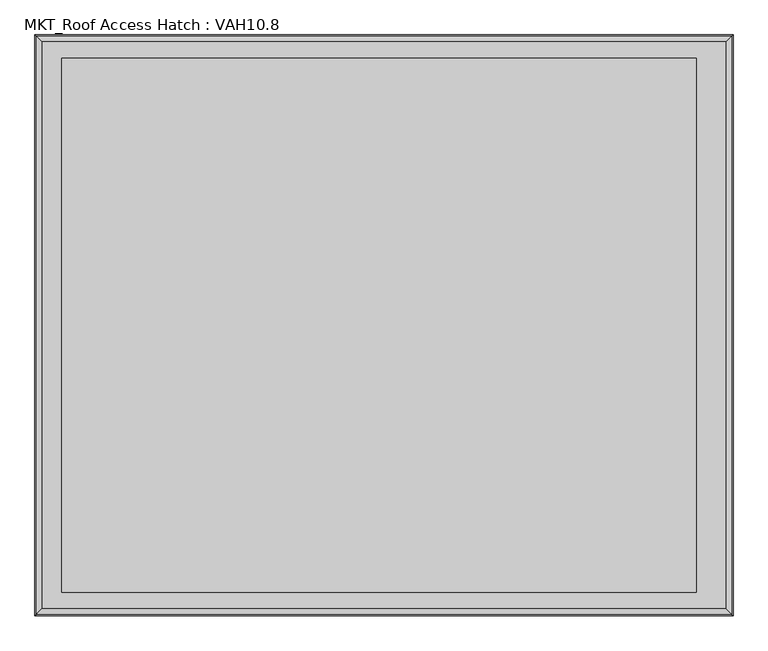
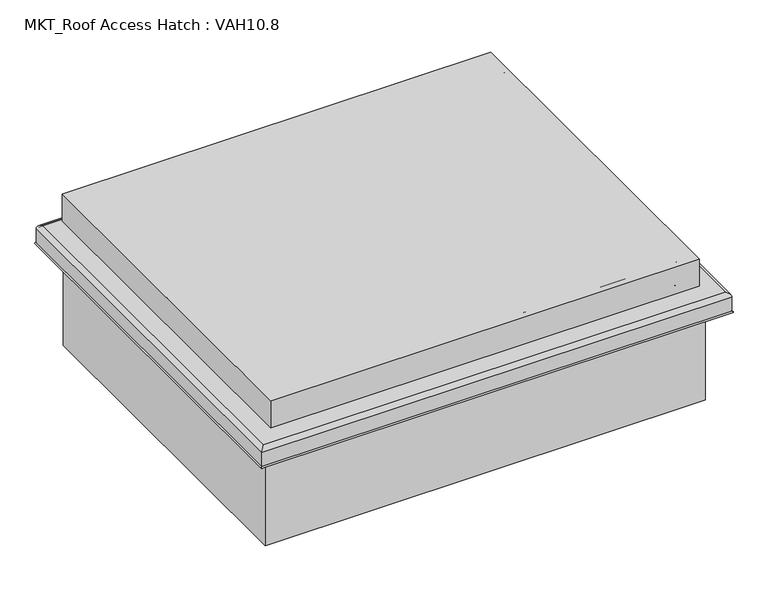
"""IFC4 building model written with IfcOpenShell, lengths in millimetres: proxy geometry, MKT_Roof Access Hatch : VAH10.8."""

from ifc_helpers import new_model, si_unit, point, frame, frame_2d, origin, origin_with_axes, place, context, project, spatial, polyline, circle_curve, ellipse_curve, trimmed, segment, composite_curve, outline, extrude, faceted_brep, source, transform, mapped, element, save
from ifc_brep_helpers import plane_surface, cylinder_surface, revolved_surface, advanced_brep


def mkt_roof_access_hatch_vah10_8_4faab3d9(model_context):
    return source(origin(), model_context, "Body", "SolidModel", [
        faceted_brep([(531.6, -455.0, 392.0), (531.6, 455.0, 392.0), (-548.4, 455.0, 392.0), (-548.4, -455.0, 392.0), (531.6, -455.0, 320.0), (-548.4, -455.0, 320.0), (-548.4, 455.0, 320.0), (531.6, 455.0, 320.0), (526.6, -450.0, 320.0), (526.6, 450.0, 320.0), (-543.4, 450.0, 320.0), (-543.4, -450.0, 320.0), (526.6, -450.0, 368.0), (-543.4, -450.0, 368.0), (-543.4, 450.0, 368.0), (526.6, 450.0, 368.0)], [[[0, 1, 2, 3]], [[4, 5, 6, 7], [8, 9, 10, 11]], [[1, 0, 4, 7]], [[2, 1, 7, 6]], [[3, 2, 6, 5]], [[0, 3, 5, 4]], [[12, 13, 14, 15]], [[12, 15, 9, 8]], [[15, 14, 10, 9]], [[14, 13, 11, 10]], [[13, 12, 8, 11]]]),
        extrude(outline(composite_curve([segment(polyline([(361.5, 513.4), (361.5, 504.5), (359.5, 504.5), (359.5, 513.4)]), True, "CONTINUOUS"), segment(trimmed(circle_curve(frame_2d((356.9, 513.4)), 2.6), [point((359.5, 513.4))], [point((356.9, 516.0))], True, "CARTESIAN"), True, "CONTINUOUS"), segment(polyline([(356.9, 516.0), (307.1, 516.0)]), True, "CONTINUOUS"), segment(trimmed(circle_curve(frame_2d((307.1, 513.4)), 2.6), [point((307.1, 516.0))], [point((304.5, 513.4))], True, "CARTESIAN"), True, "CONTINUOUS"), segment(polyline([(304.5, 513.4), (304.5, 504.5), (302.5, 504.5), (302.5, 513.4)]), True, "CONTINUOUS"), segment(trimmed(circle_curve(frame_2d((307.1, 513.4)), 4.6), [point((302.5, 513.4))], [point((307.1, 518.0))], False, "CARTESIAN"), True, "CONTINUOUS"), segment(polyline([(307.1, 518.0), (356.9, 518.0)]), True, "CONTINUOUS"), segment(trimmed(circle_curve(frame_2d((356.9, 513.4)), 4.6), [point((356.9, 518.0))], [point((361.5, 513.4))], False, "CARTESIAN"), True, "CONTINUOUS")], self_intersect=False)), frame((0.0, -410.0, 0.0), z_axis=(0.0, 1.0, 0.0), x_axis=(0.0, 0.0, 1.0)), (0.0, 0.0, 1.0), 820.0),
        extrude(outline(polyline([(555.0, 439.4933468), (555.0, -442.0066532), (-555.0, -442.0066532), (-555.0, 439.4933468), (555.0, 439.4933468)]), holes=[polyline([(510.0, 410.0), (-510.0, 410.0), (-510.0, -410.0), (510.0, -410.0), (510.0, 410.0)])]), origin_with_axes(), (0.0, 0.0, 1.0), 299.5),
        advanced_brep(
        [(505.0, 405.0, 365.0), (500.0, 400.0, 360.0), (500.0, -400.0, 360.0), (505.0, -405.0, 365.0), (514.6688612, 414.6688612, 362.5), (516.25, 416.25, 365.0), (516.25, -416.25, 365.0), (514.6688612, -414.6688612, 362.5), (502.5, 402.5, 360.0), (505.0, 405.0, 362.5), (505.0, -405.0, 362.5), (502.5, -402.5, 360.0), (502.5, 402.5, 305.5), (502.5, -402.5, 305.5), (505.5, 405.5, 302.5), (505.5, -405.5, 302.5), (592.5, 492.5, 292.5), (582.5, 482.5, 302.5), (582.5, -482.5, 302.5), (592.5, -492.5, 292.5), (592.5, 492.5, 254.9494897), (592.5, -492.5, 254.9494897), (589.5, 489.5, 252.5), (589.5, -489.5, 252.5), (589.5, 489.5, 292.5), (589.5, -489.5, 292.5), (582.5, 482.5, 299.5), (582.5, -482.5, 299.5), (502.5, 402.5, 298.5), (503.5, 403.5, 299.5), (503.5, -403.5, 299.5), (502.5, -402.5, 298.5), (502.5, 402.5, 250.0), (502.5, -402.5, 250.0), (500.0, 400.0, 250.0), (500.0, -400.0, 250.0), (-500.0, -400.0, 360.0), (-505.0, -405.0, 365.0), (-516.25, -416.25, 365.0), (-514.6688612, -414.6688612, 362.5), (-505.0, -405.0, 362.5), (-502.5, -402.5, 360.0), (-502.5, -402.5, 305.5), (-505.5, -405.5, 302.5), (-582.5, -482.5, 302.5), (-592.5, -492.5, 292.5), (-592.5, -492.5, 254.9494897), (-589.5, -489.5, 252.5), (-589.5, -489.5, 292.5), (-582.5, -482.5, 299.5), (-503.5, -403.5, 299.5), (-502.5, -402.5, 298.5), (-502.5, -402.5, 250.0), (-500.0, -400.0, 250.0), (-500.0, 400.0, 360.0), (-505.0, 405.0, 365.0), (-516.25, 416.25, 365.0), (-514.6688612, 414.6688612, 362.5), (-505.0, 405.0, 362.5), (-502.5, 402.5, 360.0), (-502.5, 402.5, 305.5), (-505.5, 405.5, 302.5), (-582.5, 482.5, 302.5), (-592.5, 492.5, 292.5), (-592.5, 492.5, 254.9494897), (-589.5, 489.5, 252.5), (-589.5, 489.5, 292.5), (-582.5, 482.5, 299.5), (-503.5, 403.5, 299.5), (-502.5, 402.5, 298.5), (-502.5, 402.5, 250.0), (-500.0, 400.0, 250.0)],
        [
            (0, 1, ellipse_curve(frame((505.0, 405.0, 360.0), z_axis=(0.7071067811865475, -0.7071067811865475, 0.0), x_axis=(0.7071067811865474, 0.7071067811865476, 0.0)), 7.0710678, 5.0)),
            (1, 2),
            (2, 3, ellipse_curve(frame((505.0, -405.0, 360.0), z_axis=(0.7071067811865475, 0.7071067811865475, 0.0), x_axis=(-0.7071067811865474, 0.7071067811865476, 0.0)), 7.0710678, 5.0)),
            (3, 0),
            (4, 5, ellipse_curve(frame((516.25, 416.25, 363.25), z_axis=(0.7071067811865475, -0.7071067811865475, 0.0), x_axis=(0.7071067811865474, 0.7071067811865476, 0.0)), 2.4748737, 1.75)),
            (5, 6),
            (6, 7, ellipse_curve(frame((516.25, -416.25, 363.25), z_axis=(0.7071067811865475, 0.7071067811865475, 0.0), x_axis=(-0.7071067811865474, 0.7071067811865476, 0.0)), 2.4748737, 1.75)),
            (7, 4),
            (8, 9, ellipse_curve(frame((505.0, 405.0, 360.0), z_axis=(-0.7071067811865475, 0.7071067811865475, 0.0), x_axis=(-0.7071067811865474, -0.7071067811865476, 0.0)), 3.5355339, 2.5)),
            (9, 10),
            (10, 11, ellipse_curve(frame((505.0, -405.0, 360.0), z_axis=(-0.7071067811865475, -0.7071067811865475, 0.0), x_axis=(0.7071067811865474, -0.7071067811865476, 0.0)), 3.5355339, 2.5)),
            (11, 8),
            (12, 8),
            (11, 13),
            (13, 12),
            (14, 12, ellipse_curve(frame((505.5, 405.5, 305.5), z_axis=(-0.7071067811865475, 0.7071067811865475, 0.0), x_axis=(-0.7071067811865474, -0.7071067811865476, 0.0)), 4.2426407, 3.0)),
            (13, 15, ellipse_curve(frame((505.5, -405.5, 305.5), z_axis=(-0.7071067811865475, -0.7071067811865475, 0.0), x_axis=(0.7071067811865474, -0.7071067811865476, 0.0)), 4.2426407, 3.0)),
            (15, 14),
            (16, 17, ellipse_curve(frame((582.5, 482.5, 292.5), z_axis=(0.7071067811865475, -0.7071067811865475, 0.0), x_axis=(0.7071067811865474, 0.7071067811865476, 0.0)), 14.1421356, 10.0)),
            (17, 18),
            (18, 19, ellipse_curve(frame((582.5, -482.5, 292.5), z_axis=(0.7071067811865475, 0.7071067811865475, 0.0), x_axis=(-0.7071067811865474, 0.7071067811865476, 0.0)), 14.1421356, 10.0)),
            (19, 16),
            (20, 16),
            (19, 21),
            (21, 20),
            (22, 20, ellipse_curve(frame((592.0, 492.0, 252.5), z_axis=(0.7071067811865475, -0.7071067811865475, 0.0), x_axis=(0.7071067811865474, 0.7071067811865476, 0.0)), 3.5355339, 2.5)),
            (21, 23, ellipse_curve(frame((592.0, -492.0, 252.5), z_axis=(0.7071067811865475, 0.7071067811865475, 0.0), x_axis=(-0.7071067811865474, 0.7071067811865476, 0.0)), 3.5355339, 2.5)),
            (23, 22),
            (24, 22),
            (23, 25),
            (25, 24),
            (26, 24, ellipse_curve(frame((582.5, 482.5, 292.5), z_axis=(-0.7071067811865475, 0.7071067811865475, 0.0), x_axis=(-0.7071067811865474, -0.7071067811865476, 0.0)), 9.8994949, 7.0)),
            (25, 27, ellipse_curve(frame((582.5, -482.5, 292.5), z_axis=(-0.7071067811865475, -0.7071067811865475, 0.0), x_axis=(0.7071067811865474, -0.7071067811865476, 0.0)), 9.8994949, 7.0)),
            (27, 26),
            (28, 29, ellipse_curve(frame((503.5, 403.5, 298.5), z_axis=(-0.7071067811865475, 0.7071067811865475, 0.0), x_axis=(-0.7071067811865474, -0.7071067811865476, 0.0)), 1.4142136, 1.0)),
            (29, 30),
            (30, 31, ellipse_curve(frame((503.5, -403.5, 298.5), z_axis=(-0.7071067811865475, -0.7071067811865475, 0.0), x_axis=(0.7071067811865474, -0.7071067811865476, 0.0)), 1.4142136, 1.0)),
            (31, 28),
            (32, 28),
            (31, 33),
            (33, 32),
            (1, 34),
            (34, 35),
            (35, 2),
            (2, 36),
            (36, 37, ellipse_curve(frame((-505.0, -405.0, 360.0), z_axis=(0.7071067811865475, -0.7071067811865475, 0.0), x_axis=(0.7071067811865476, 0.7071067811865474, 0.0)), 7.0710678, 5.0)),
            (37, 3),
            (6, 38),
            (38, 39, ellipse_curve(frame((-516.25, -416.25, 363.25), z_axis=(0.7071067811865475, -0.7071067811865475, 0.0), x_axis=(0.7071067811865476, 0.7071067811865474, 0.0)), 2.4748737, 1.75)),
            (39, 7),
            (10, 40),
            (40, 41, ellipse_curve(frame((-505.0, -405.0, 360.0), z_axis=(-0.7071067811865475, 0.7071067811865475, 0.0), x_axis=(-0.7071067811865476, -0.7071067811865474, 0.0)), 3.5355339, 2.5)),
            (41, 11),
            (41, 42),
            (42, 13),
            (42, 43, ellipse_curve(frame((-505.5, -405.5, 305.5), z_axis=(-0.7071067811865475, 0.7071067811865475, 0.0), x_axis=(-0.7071067811865476, -0.7071067811865474, 0.0)), 4.2426407, 3.0)),
            (43, 15),
            (18, 44),
            (44, 45, ellipse_curve(frame((-582.5, -482.5, 292.5), z_axis=(0.7071067811865475, -0.7071067811865475, 0.0), x_axis=(0.7071067811865476, 0.7071067811865474, 0.0)), 14.1421356, 10.0)),
            (45, 19),
            (45, 46),
            (46, 21),
            (46, 47, ellipse_curve(frame((-592.0, -492.0, 252.5), z_axis=(0.7071067811865475, -0.7071067811865475, 0.0), x_axis=(0.7071067811865476, 0.7071067811865474, 0.0)), 3.5355339, 2.5)),
            (47, 23),
            (47, 48),
            (48, 25),
            (48, 49, ellipse_curve(frame((-582.5, -482.5, 292.5), z_axis=(-0.7071067811865475, 0.7071067811865475, 0.0), x_axis=(-0.7071067811865476, -0.7071067811865474, 0.0)), 9.8994949, 7.0)),
            (49, 27),
            (30, 50),
            (50, 51, ellipse_curve(frame((-503.5, -403.5, 298.5), z_axis=(-0.7071067811865475, 0.7071067811865475, 0.0), x_axis=(-0.7071067811865476, -0.7071067811865474, 0.0)), 1.4142136, 1.0)),
            (51, 31),
            (51, 52),
            (52, 33),
            (35, 53),
            (53, 36),
            (36, 54),
            (54, 55, ellipse_curve(frame((-505.0, 405.0, 360.0), z_axis=(-0.7071067811865475, -0.7071067811865475, 0.0), x_axis=(0.7071067811865474, -0.7071067811865476, 0.0)), 7.0710678, 5.0)),
            (55, 37),
            (38, 56),
            (56, 57, ellipse_curve(frame((-516.25, 416.25, 363.25), z_axis=(-0.7071067811865475, -0.7071067811865475, 0.0), x_axis=(0.7071067811865474, -0.7071067811865476, 0.0)), 2.4748737, 1.75)),
            (57, 39),
            (40, 58),
            (58, 59, ellipse_curve(frame((-505.0, 405.0, 360.0), z_axis=(0.7071067811865475, 0.7071067811865475, 0.0), x_axis=(-0.7071067811865474, 0.7071067811865476, 0.0)), 3.5355339, 2.5)),
            (59, 41),
            (59, 60),
            (60, 42),
            (60, 61, ellipse_curve(frame((-505.5, 405.5, 305.5), z_axis=(0.7071067811865475, 0.7071067811865475, 0.0), x_axis=(-0.7071067811865474, 0.7071067811865476, 0.0)), 4.2426407, 3.0)),
            (61, 43),
            (44, 62),
            (62, 63, ellipse_curve(frame((-582.5, 482.5, 292.5), z_axis=(-0.7071067811865475, -0.7071067811865475, 0.0), x_axis=(0.7071067811865474, -0.7071067811865476, 0.0)), 14.1421356, 10.0)),
            (63, 45),
            (63, 64),
            (64, 46),
            (64, 65, ellipse_curve(frame((-592.0, 492.0, 252.5), z_axis=(-0.7071067811865475, -0.7071067811865475, 0.0), x_axis=(0.7071067811865474, -0.7071067811865476, 0.0)), 3.5355339, 2.5)),
            (65, 47),
            (65, 66),
            (66, 48),
            (66, 67, ellipse_curve(frame((-582.5, 482.5, 292.5), z_axis=(0.7071067811865475, 0.7071067811865475, 0.0), x_axis=(-0.7071067811865474, 0.7071067811865476, 0.0)), 9.8994949, 7.0)),
            (67, 49),
            (50, 68),
            (68, 69, ellipse_curve(frame((-503.5, 403.5, 298.5), z_axis=(0.7071067811865475, 0.7071067811865475, 0.0), x_axis=(-0.7071067811865474, 0.7071067811865476, 0.0)), 1.4142136, 1.0)),
            (69, 51),
            (69, 70),
            (70, 52),
            (53, 71),
            (71, 54),
            (54, 1),
            (0, 55),
            (5, 56),
            (4, 57),
            (9, 58),
            (8, 59),
            (12, 60),
            (14, 61),
            (17, 62),
            (16, 63),
            (20, 64),
            (22, 65),
            (24, 66),
            (26, 67),
            (29, 68),
            (28, 69),
            (32, 70),
            (34, 71),
        ],
        [
            cylinder_surface(frame((505.0, 494.5, 360.0), z_axis=(0.0, 1.0, 0.0), x_axis=(-1.0, 0.0, 0.0)), 5.0),
            cylinder_surface(frame((516.25, 494.5, 363.25), z_axis=(0.0, 1.0, 0.0), x_axis=(-1.0, 0.0, 0.0)), 1.75),
            revolved_surface(polyline([(502.5, -407.49999999580496, 360.0), (502.5, 407.49999999580496, 360.0)]), (505.0, 494.5, 360.0), (0.0, -1.0, 0.0)),
            plane_surface(frame((502.5, 402.5, 360.0), z_axis=(1.0, 0.0, 0.0), x_axis=(0.0, -1.0, 0.0))),
            revolved_surface(polyline([(502.5, -408.500000009108, 305.5), (502.5, 408.500000009108, 305.5)]), (505.5, 494.5, 305.5), (0.0, -1.0, 0.0)),
            cylinder_surface(frame((582.5, 494.5, 292.5), z_axis=(0.0, 1.0, 0.0), x_axis=(-1.0, 0.0, 0.0)), 10.0),
            plane_surface(frame((592.5, 492.5, 292.5), z_axis=(1.0, 0.0, 0.0), x_axis=(0.0, -1.0, 0.0))),
            cylinder_surface(frame((592.0, 494.5, 252.5), z_axis=(0.0, 1.0, 0.0), x_axis=(-1.0, 0.0, 0.0)), 2.5),
            plane_surface(frame((589.5, 489.5, 252.5), z_axis=(-1.0, 0.0, 0.0), x_axis=(0.0, -1.0, 0.0))),
            revolved_surface(polyline([(575.5, -489.5, 292.5), (575.5, 489.5, 292.5)]), (582.5, 494.5, 292.5), (0.0, -1.0, 0.0)),
            revolved_surface(polyline([(502.5, -404.50000002660624, 298.5), (502.5, 404.50000002660624, 298.5)]), (503.5, 494.5, 298.5), (0.0, -1.0, 0.0)),
            plane_surface(frame((502.5, 402.5, 298.5), z_axis=(1.0, 0.0, 0.0), x_axis=(0.0, -1.0, 0.0))),
            plane_surface(frame((500.0, 400.0, 250.0), z_axis=(-1.0, 0.0, 0.0), x_axis=(0.0, -1.0, 0.0))),
            cylinder_surface(frame((594.5, -405.0, 360.0), z_axis=(1.0, 0.0, 0.0), x_axis=(0.0, 1.0, 0.0)), 5.0),
            cylinder_surface(frame((594.5, -416.25, 363.25), z_axis=(1.0, 0.0, 0.0), x_axis=(0.0, 1.0, 0.0)), 1.75),
            revolved_surface(polyline([(-507.49999999580496, -402.5, 360.0), (507.49999999580496, -402.5, 360.0)]), (594.5, -405.0, 360.0), (-1.0, 0.0, 0.0)),
            plane_surface(frame((502.5, -402.5, 360.0), z_axis=(0.0, -1.0, 0.0), x_axis=(-1.0, 0.0, 0.0))),
            revolved_surface(polyline([(-508.50000000910813, -402.5, 305.5), (508.500000009108, -402.5, 305.5)]), (594.5, -405.5, 305.5), (-1.0, 0.0, 0.0)),
            cylinder_surface(frame((594.5, -482.5, 292.5), z_axis=(1.0, 0.0, 0.0), x_axis=(0.0, 1.0, 0.0)), 10.0),
            plane_surface(frame((592.5, -492.5, 292.5), z_axis=(0.0, -1.0, 0.0), x_axis=(-1.0, 0.0, 0.0))),
            cylinder_surface(frame((594.5, -492.0, 252.5), z_axis=(1.0, 0.0, 0.0), x_axis=(0.0, 1.0, 0.0)), 2.5),
            plane_surface(frame((589.5, -489.5, 252.5), z_axis=(0.0, 1.0, 0.0), x_axis=(-1.0, 0.0, 0.0))),
            revolved_surface(polyline([(-589.5, -475.5, 292.5), (589.5, -475.5, 292.5)]), (594.5, -482.5, 292.5), (-1.0, 0.0, 0.0)),
            revolved_surface(polyline([(-504.50000002660613, -402.5, 298.5), (504.50000002660624, -402.5, 298.5)]), (594.5, -403.5, 298.5), (-1.0, 0.0, 0.0)),
            plane_surface(frame((502.5, -402.5, 298.5), z_axis=(0.0, -1.0, 0.0), x_axis=(-1.0, 0.0, 0.0))),
            plane_surface(frame((500.0, -400.0, 250.0), z_axis=(0.0, 1.0, 0.0), x_axis=(-1.0, 0.0, 0.0))),
            cylinder_surface(frame((-505.0, -494.5, 360.0), z_axis=(0.0, -1.0, 0.0), x_axis=(1.0, 0.0, 0.0)), 5.0),
            cylinder_surface(frame((-516.25, -494.5, 363.25), z_axis=(0.0, -1.0, 0.0), x_axis=(1.0, 0.0, 0.0)), 1.75),
            revolved_surface(polyline([(-502.5, 407.49999999580496, 360.0), (-502.5, -407.49999999580496, 360.0)]), (-505.0, -494.5, 360.0), (0.0, 1.0, 0.0)),
            plane_surface(frame((-502.5, -402.5, 360.0), z_axis=(-1.0, 0.0, 0.0), x_axis=(0.0, 1.0, 0.0))),
            revolved_surface(polyline([(-502.5, 408.500000009108, 305.5), (-502.5, -408.500000009108, 305.5)]), (-505.5, -494.5, 305.5), (0.0, 1.0, 0.0)),
            cylinder_surface(frame((-582.5, -494.5, 292.5), z_axis=(0.0, -1.0, 0.0), x_axis=(1.0, 0.0, 0.0)), 10.0),
            plane_surface(frame((-592.5, -492.5, 292.5), z_axis=(-1.0, 0.0, 0.0), x_axis=(0.0, 1.0, 0.0))),
            cylinder_surface(frame((-592.0, -494.5, 252.5), z_axis=(0.0, -1.0, 0.0), x_axis=(1.0, 0.0, 0.0)), 2.5),
            plane_surface(frame((-589.5, -489.5, 252.5), z_axis=(1.0, 0.0, 0.0), x_axis=(0.0, 1.0, 0.0))),
            revolved_surface(polyline([(-575.5, 489.5, 292.5), (-575.5, -489.5, 292.5)]), (-582.5, -494.5, 292.5), (0.0, 1.0, 0.0)),
            revolved_surface(polyline([(-502.5, 404.50000002660624, 298.5), (-502.5, -404.50000002660624, 298.5)]), (-503.5, -494.5, 298.5), (0.0, 1.0, 0.0)),
            plane_surface(frame((-502.5, -402.5, 298.5), z_axis=(-1.0, 0.0, 0.0), x_axis=(0.0, 1.0, 0.0))),
            plane_surface(frame((-500.0, -400.0, 250.0), z_axis=(1.0, 0.0, 0.0), x_axis=(0.0, 1.0, 0.0))),
            cylinder_surface(frame((-594.5, 405.0, 360.0), z_axis=(-1.0, 0.0, 0.0), x_axis=(0.0, -1.0, 0.0)), 5.0),
            plane_surface(frame((-505.0, 405.0, 365.0), z_axis=(0.0, 0.0, 1.0), x_axis=(1.0, 0.0, 0.0))),
            cylinder_surface(frame((-594.5, 416.25, 363.25), z_axis=(-1.0, 0.0, 0.0), x_axis=(0.0, -1.0, 0.0)), 1.75),
            plane_surface(frame((-514.6688612, 414.6688612, 362.5), z_axis=(0.0, 0.0, -1.0), x_axis=(1.0, 0.0, 0.0))),
            revolved_surface(polyline([(507.49999999580496, 402.5, 360.0), (-507.49999999580496, 402.5, 360.0)]), (-594.5, 405.0, 360.0), (1.0, 0.0, 0.0)),
            plane_surface(frame((-502.5, 402.5, 360.0), z_axis=(0.0, 1.0, 0.0), x_axis=(1.0, 0.0, 0.0))),
            revolved_surface(polyline([(508.50000000910813, 402.5, 305.5), (-508.500000009108, 402.5, 305.5)]), (-594.5, 405.5, 305.5), (1.0, 0.0, 0.0)),
            plane_surface(frame((-505.5, 405.5, 302.5), z_axis=(0.0, 0.0, 1.0), x_axis=(1.0, 0.0, 0.0))),
            cylinder_surface(frame((-594.5, 482.5, 292.5), z_axis=(-1.0, 0.0, 0.0), x_axis=(0.0, -1.0, 0.0)), 10.0),
            plane_surface(frame((-592.5, 492.5, 292.5), z_axis=(0.0, 1.0, 0.0), x_axis=(1.0, 0.0, 0.0))),
            cylinder_surface(frame((-594.5, 492.0, 252.5), z_axis=(-1.0, 0.0, 0.0), x_axis=(0.0, -1.0, 0.0)), 2.5),
            plane_surface(frame((-589.5, 489.5, 252.5), z_axis=(0.0, -1.0, 0.0), x_axis=(1.0, 0.0, 0.0))),
            revolved_surface(polyline([(589.5, 475.5, 292.5), (-589.5, 475.5, 292.5)]), (-594.5, 482.5, 292.5), (1.0, 0.0, 0.0)),
            plane_surface(frame((-582.5, 482.5, 299.5), z_axis=(0.0, 0.0, -1.0), x_axis=(1.0, 0.0, 0.0))),
            revolved_surface(polyline([(504.50000002660613, 402.5, 298.5), (-504.50000002660624, 402.5, 298.5)]), (-594.5, 403.5, 298.5), (1.0, 0.0, 0.0)),
            plane_surface(frame((-502.5, 402.5, 298.5), z_axis=(0.0, 1.0, 0.0), x_axis=(1.0, 0.0, 0.0))),
            plane_surface(frame((-502.5, 402.5, 250.0), z_axis=(0.0, 0.0, -1.0), x_axis=(1.0, 0.0, 0.0))),
            plane_surface(frame((-500.0, 400.0, 250.0), z_axis=(0.0, -1.0, 0.0), x_axis=(1.0, 0.0, 0.0))),
        ],
        [
            (0, [[1, 2, 3, 4]]),
            (1, [[5, 6, 7, 8]]),
            (2, [[9, 10, 11, 12]]),
            (3, [[13, -12, 14, 15]]),
            (4, [[16, -15, 17, 18]]),
            (5, [[19, 20, 21, 22]]),
            (6, [[23, -22, 24, 25]]),
            (7, [[26, -25, 27, 28]]),
            (8, [[29, -28, 30, 31]]),
            (9, [[32, -31, 33, 34]]),
            (10, [[35, 36, 37, 38]]),
            (11, [[39, -38, 40, 41]]),
            (12, [[42, 43, 44, -2]]),
            (13, [[-3, 45, 46, 47]]),
            (14, [[-7, 48, 49, 50]]),
            (15, [[-11, 51, 52, 53]]),
            (16, [[-14, -53, 54, 55]]),
            (17, [[-17, -55, 56, 57]]),
            (18, [[-21, 58, 59, 60]]),
            (19, [[-24, -60, 61, 62]]),
            (20, [[-27, -62, 63, 64]]),
            (21, [[-30, -64, 65, 66]]),
            (22, [[-33, -66, 67, 68]]),
            (23, [[-37, 69, 70, 71]]),
            (24, [[-40, -71, 72, 73]]),
            (25, [[-44, 74, 75, -45]]),
            (26, [[-46, 76, 77, 78]]),
            (27, [[-49, 79, 80, 81]]),
            (28, [[-52, 82, 83, 84]]),
            (29, [[-54, -84, 85, 86]]),
            (30, [[-56, -86, 87, 88]]),
            (31, [[-59, 89, 90, 91]]),
            (32, [[-61, -91, 92, 93]]),
            (33, [[-63, -93, 94, 95]]),
            (34, [[-65, -95, 96, 97]]),
            (35, [[-67, -97, 98, 99]]),
            (36, [[-70, 100, 101, 102]]),
            (37, [[-72, -102, 103, 104]]),
            (38, [[-75, 105, 106, -76]]),
            (39, [[-77, 107, -1, 108]]),
            (40, [[109, -79, -48, -6], [-47, -78, -108, -4]]),
            (41, [[-80, -109, -5, 110]]),
            (42, [[-50, -81, -110, -8], [111, -82, -51, -10]]),
            (43, [[-83, -111, -9, 112]]),
            (44, [[-85, -112, -13, 113]]),
            (45, [[-87, -113, -16, 114]]),
            (46, [[115, -89, -58, -20], [-57, -88, -114, -18]]),
            (47, [[-90, -115, -19, 116]]),
            (48, [[-92, -116, -23, 117]]),
            (49, [[-94, -117, -26, 118]]),
            (50, [[-96, -118, -29, 119]]),
            (51, [[-98, -119, -32, 120]]),
            (52, [[-68, -99, -120, -34], [121, -100, -69, -36]]),
            (53, [[-101, -121, -35, 122]]),
            (54, [[-103, -122, -39, 123]]),
            (55, [[-73, -104, -123, -41], [124, -105, -74, -43]]),
            (56, [[-106, -124, -42, -107]]),
        ],
    ),
    ])


if __name__ == "__main__":
    model = new_model("IFC4")
    model_context = context("Model", 3, world=origin())
    ifc_project = project(units=[si_unit("LENGTHUNIT", "METRE", prefix="MILLI")], contexts=[model_context])
    site = spatial("IfcSite", under=ifc_project)
    building = spatial("IfcBuilding", under=site)
    placement = place(None, origin())
    mkt_roof_access_hatch_vah10_8_shape = mkt_roof_access_hatch_vah10_8_4faab3d9(model_context)
    element("IfcBuildingElementProxy", 1, Name="MKT_Roof Access Hatch : VAH10.8", ObjectType="MKT_Roof Access Hatch : VAH10.8", at=placement, inside=building, context=model_context, shape_type="MappedRepresentation", body=[
        mapped(mkt_roof_access_hatch_vah10_8_shape, transform((0.0, 0.0, 0.0), x_axis=(1.0, 0.0, 0.0), y_axis=(0.0, 1.0, 0.0), z_axis=(0.0, 0.0, 1.0))),
    ])
    save(model, "model.ifc")
